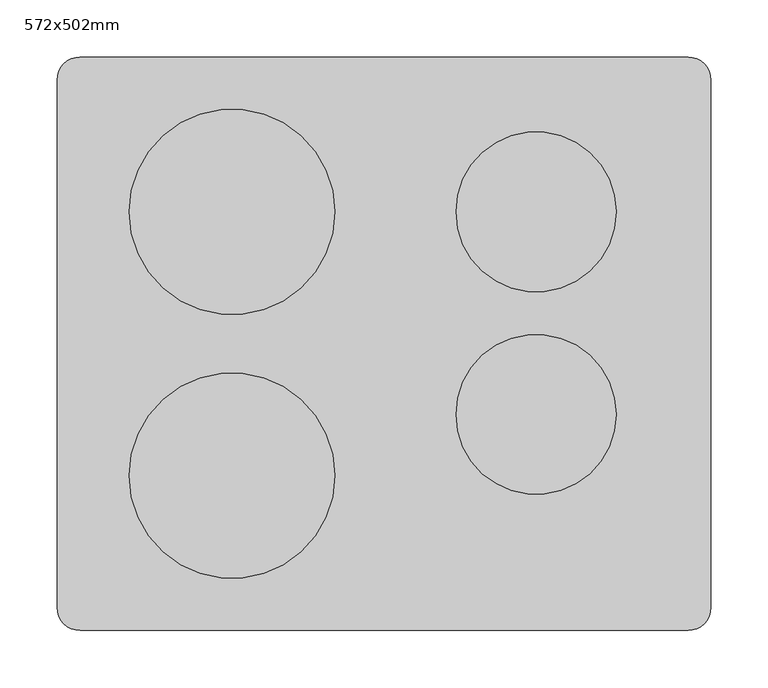
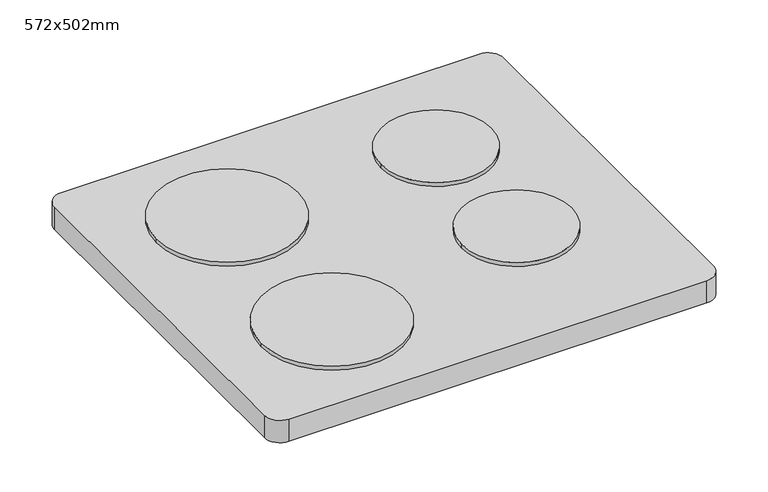
"""IFC4 building model written with IfcOpenShell, lengths in millimetres: proxy geometry, 572x502mm."""

from ifc_helpers import new_model, si_unit, point, frame, frame_2d, origin, origin_with_axes, place, context, project, spatial, polyline, circle_curve, trimmed, segment, composite_curve, outline, extrude, source, transform, mapped, element, save


def proxy_572x502mm_ba399a0f(model_context):
    return source(origin(), model_context, "Body", "SweptSolid", [
        extrude(outline(composite_curve([segment(trimmed(circle_curve(frame_2d((-112.0, 115.5)), 90.0), [point((-202.0, 115.5))], [point((-22.0, 115.5))], False, "CARTESIAN"), True, "CONTINUOUS"), segment(trimmed(circle_curve(frame_2d((-112.0, 115.5)), 90.0), [point((-22.0, 115.5))], [point((-202.0, 115.5))], False, "CARTESIAN"), True, "CONTINUOUS")], self_intersect=False)), frame((0.0, 0.0, 30.0), z_axis=(0.0, 0.0, 1.0), x_axis=(1.0, 0.0, 0.0)), (0.0, 0.0, 1.0), 5.0),
        extrude(outline(composite_curve([segment(trimmed(circle_curve(frame_2d((-112.0, -115.5)), 90.0), [point((-202.0, -115.5))], [point((-22.0, -115.5))], False, "CARTESIAN"), True, "CONTINUOUS"), segment(trimmed(circle_curve(frame_2d((-112.0, -115.5)), 90.0), [point((-22.0, -115.5))], [point((-202.0, -115.5))], False, "CARTESIAN"), True, "CONTINUOUS")], self_intersect=False)), frame((0.0, 0.0, 30.0), z_axis=(0.0, 0.0, 1.0), x_axis=(1.0, 0.0, 0.0)), (0.0, 0.0, 1.0), 5.0),
        extrude(outline(composite_curve([segment(trimmed(circle_curve(frame_2d((154.0, 115.5)), 70.0), [point((84.0, 115.5))], [point((224.0, 115.5))], False, "CARTESIAN"), True, "CONTINUOUS"), segment(trimmed(circle_curve(frame_2d((154.0, 115.5)), 70.0), [point((224.0, 115.5))], [point((84.0, 115.5))], False, "CARTESIAN"), True, "CONTINUOUS")], self_intersect=False)), frame((0.0, 0.0, 30.0), z_axis=(0.0, 0.0, 1.0), x_axis=(1.0, 0.0, 0.0)), (0.0, 0.0, 1.0), 5.0),
        extrude(outline(composite_curve([segment(trimmed(circle_curve(frame_2d((154.0, -61.8682566)), 70.0), [point((84.0, -61.8682566))], [point((224.0, -61.8682566))], False, "CARTESIAN"), True, "CONTINUOUS"), segment(trimmed(circle_curve(frame_2d((154.0, -61.8682566)), 70.0), [point((224.0, -61.8682566))], [point((84.0, -61.8682566))], False, "CARTESIAN"), True, "CONTINUOUS")], self_intersect=False)), frame((0.0, 0.0, 30.0), z_axis=(0.0, 0.0, 1.0), x_axis=(1.0, 0.0, 0.0)), (0.0, 0.0, 1.0), 5.0),
        extrude(outline(composite_curve([segment(polyline([(287.0, -251.0), (-245.0, -251.0)]), True, "CONTINUOUS"), segment(trimmed(circle_curve(frame_2d((-245.0, -231.0)), 20.0), [point((-245.0, -251.0))], [point((-265.0, -231.0))], False, "CARTESIAN"), True, "CONTINUOUS"), segment(polyline([(-265.0, -231.0), (-265.0, 231.0)]), True, "CONTINUOUS"), segment(trimmed(circle_curve(frame_2d((-245.0, 231.0)), 20.0), [point((-265.0, 231.0))], [point((-245.0, 251.0))], False, "CARTESIAN"), True, "CONTINUOUS"), segment(polyline([(-245.0, 251.0), (287.0, 251.0)]), True, "CONTINUOUS"), segment(trimmed(circle_curve(frame_2d((287.0, 231.0)), 20.0), [point((287.0, 251.0))], [point((307.0, 231.0))], False, "CARTESIAN"), True, "CONTINUOUS"), segment(polyline([(307.0, 231.0), (307.0, -231.0)]), True, "CONTINUOUS"), segment(trimmed(circle_curve(frame_2d((287.0, -231.0)), 20.0), [point((307.0, -231.0))], [point((287.0, -251.0))], False, "CARTESIAN"), True, "CONTINUOUS")], self_intersect=False)), origin_with_axes(), (0.0, 0.0, 1.0), 30.0),
    ])


if __name__ == "__main__":
    model = new_model("IFC4")
    model_context = context("Model", 3, world=origin())
    ifc_project = project(units=[si_unit("LENGTHUNIT", "METRE", prefix="MILLI")], contexts=[model_context])
    site = spatial("IfcSite", under=ifc_project)
    building = spatial("IfcBuilding", under=site)
    placement = place(None, origin())
    proxy_572x502mm_shape = proxy_572x502mm_ba399a0f(model_context)
    element("IfcBuildingElementProxy", 1, Name="572x502mm", ObjectType="572x502mm", at=placement, inside=building, context=model_context, shape_type="MappedRepresentation", body=[
        mapped(proxy_572x502mm_shape, transform((0.0, 0.0, 0.0), x_axis=(1.0, 0.0, 0.0), y_axis=(0.0, 1.0, 0.0), z_axis=(0.0, 0.0, 1.0))),
    ])
    save(model, "model.ifc")
